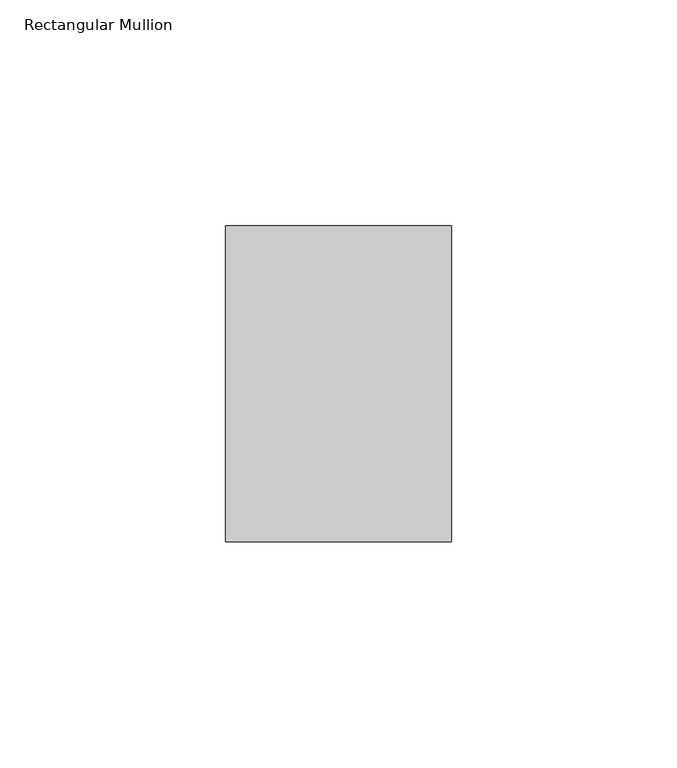
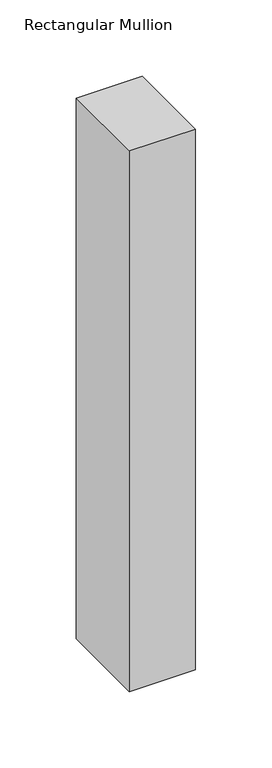
"""IFC4 building model written with IfcOpenShell, lengths in millimetres: member geometry, Rectangular Mullion."""

from ifc_helpers import new_model, si_unit, frame, origin, place, context, project, spatial, polyline, outline, extrude, source, transform, mapped, element, save


def rectangular_mullion_c073d3a5(model_context):
    return source(origin(), model_context, "Body", "SweptSolid", [
        extrude(outline(polyline([(25.0, 35.0), (25.0, -35.0), (-25.0, -35.0), (-25.0, 35.0), (25.0, 35.0)])), frame((0.0, 0.0, -433.4685394), z_axis=(0.0, 0.0, 1.0), x_axis=(1.0, 0.0, 0.0)), (0.0, 0.0, 1.0), 433.4685394),
    ])


if __name__ == "__main__":
    model = new_model("IFC4")
    model_context = context("Model", 3, world=origin())
    ifc_project = project(units=[si_unit("LENGTHUNIT", "METRE", prefix="MILLI")], contexts=[model_context])
    site = spatial("IfcSite", under=ifc_project)
    building = spatial("IfcBuilding", under=site)
    placement = place(None, origin())
    rectangular_mullion_shape = rectangular_mullion_c073d3a5(model_context)
    element("IfcMember", 1, ObjectType="Rectangular Mullion", at=placement, inside=building, context=model_context, shape_type="MappedRepresentation", body=[
        mapped(rectangular_mullion_shape, transform((0.0, 0.0, 0.0), x_axis=(1.0, 0.0, 0.0), y_axis=(0.0, 1.0, 0.0), z_axis=(0.0, 0.0, 1.0))),
    ])
    save(model, "model.ifc")
